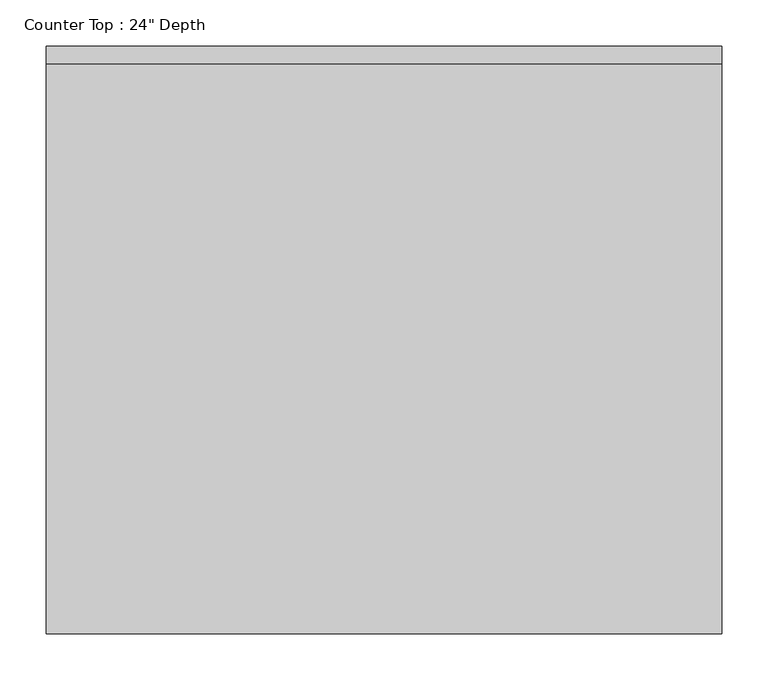
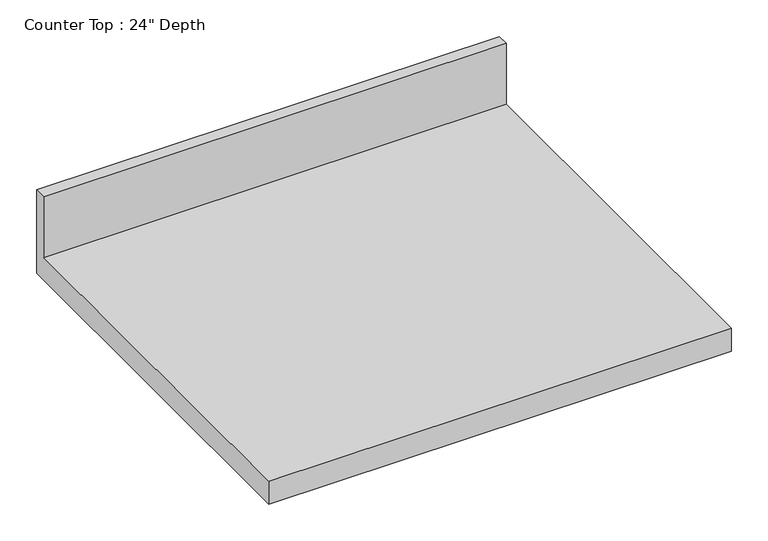
"""IFC4 building model written with IfcOpenShell, lengths in millimetres: furniture geometry."""

from ifc_helpers import new_model, si_unit, frame, origin, place, context, project, spatial, polyline, outline, extrude, source, transform, mapped, element, save


def furniture_3843d312(model_context):
    return source(origin(), model_context, "Body", "SweptSolid", [
        extrude(outline(polyline([(0.0, 1016.0), (0.0, 876.3), (-635.0, 876.3), (-635.0, 914.4), (-19.05, 914.4), (-19.05, 1016.0), (0.0, 1016.0)])), frame((-1200.4622951, 0.0, 0.0), z_axis=(1.0, 0.0, 0.0), x_axis=(0.0, 1.0, 0.0)), (0.0, 0.0, 1.0), 730.25),
    ])


if __name__ == "__main__":
    model = new_model("IFC4")
    model_context = context("Model", 3, world=origin())
    ifc_project = project(units=[si_unit("LENGTHUNIT", "METRE", prefix="MILLI")], contexts=[model_context])
    site = spatial("IfcSite", under=ifc_project)
    building = spatial("IfcBuilding", under=site)
    placement = place(None, origin())
    furniture_shape = furniture_3843d312(model_context)
    element("IfcFurniture", 1, ObjectType="Counter Top : 24\" Depth", at=placement, inside=building, context=model_context, shape_type="MappedRepresentation", body=[
        mapped(furniture_shape, transform((0.0, 0.0, 0.0), x_axis=(1.0, 0.0, 0.0), y_axis=(0.0, 1.0, 0.0), z_axis=(0.0, 0.0, 1.0))),
    ])
    save(model, "model.ifc")
